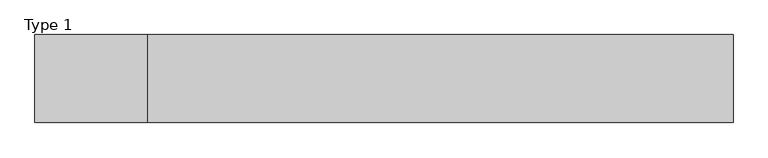
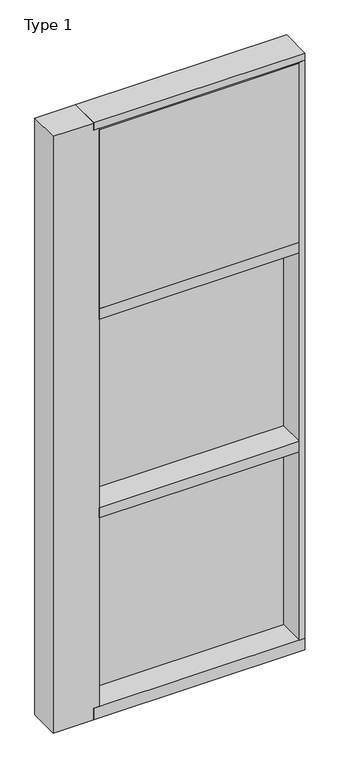
"""IFC4 building model written with IfcOpenShell, lengths in millimetres: plate geometry, Type 1."""

from ifc_helpers import new_model, si_unit, frame, origin, place, context, project, spatial, polyline, outline, extrude, faceted_brep, source, transform, mapped, element, save


def type_1_977e2a30(model_context):
    return source(origin(), model_context, "Body", "SolidModel", [
        extrude(outline(polyline([(612.3219712, 27.6881517), (612.3219712, 11.2982336), (599.6230604, 11.2982336), (599.6230604, 27.6881517), (612.3219712, 27.6881517)])), frame((0.0, 0.0, 1225.55), z_axis=(0.0, 0.0, 1.0), x_axis=(1.0, 0.0, 0.0)), (0.0, 0.0, 1.0), 1206.5),
        extrude(outline(polyline([(-599.6230604, 27.6881517), (-599.6230604, 11.2982336), (-612.3219712, 11.2982336), (-612.3219712, 27.6881517), (-599.6230604, 27.6881517)])), frame((0.0, 0.0, 1225.55), z_axis=(0.0, 0.0, 1.0), x_axis=(1.0, 0.0, 0.0)), (0.0, 0.0, 1.0), 1206.5),
        extrude(outline(polyline([(599.6230604, 27.686), (599.6230604, 2.286), (-599.6230604, 2.286), (-599.6230604, 27.686), (599.6230604, 27.686)])), frame((0.0, 0.0, 1225.55), z_axis=(0.0, 0.0, 1.0), x_axis=(1.0, 0.0, 0.0)), (0.0, 0.0, 1.0), 1206.5),
        extrude(outline(polyline([(612.3219712, 27.686), (612.3219712, 6.35), (-612.3219712, 6.35), (-612.3219712, 27.686), (612.3219712, 27.686)])), frame((0.0, 0.0, 2432.05), z_axis=(0.0, 0.0, 1.0), x_axis=(1.0, 0.0, 0.0)), (0.0, 0.0, 1.0), 12.7),
        faceted_brep([(-846.7854024, -155.9814, 3619.5), (-612.3219712, -155.9814, 3619.5), (-612.3219712, 27.686, 3619.5), (-846.7854024, 27.686, 3619.5), (-846.7854024, -155.9814, -38.1), (-846.7854024, 27.686, -38.1), (-612.3219712, 27.686, -38.1), (-612.3219712, -155.9814, -38.1), (-612.3219712, -155.9814, 31.75), (-580.5719712, -155.9814, 31.75), (-580.5719712, -155.9814, 3575.05), (-612.3219712, -155.9814, 3575.05), (-612.3219712, 2.286, 3575.05), (-612.3219712, 2.286, 31.75), (-580.5719712, 2.286, 3575.05), (-580.5719712, 2.286, 31.75)], [[[0, 1, 2, 3]], [[4, 5, 6, 7]], [[0, 4, 7, 8, 9, 10, 11, 1]], [[1, 11, 12, 13, 8, 7, 6, 2]], [[3, 5, 4, 0]], [[2, 6, 5, 3]], [[12, 11, 10, 14]], [[8, 13, 15, 9]], [[10, 9, 15, 14]], [[14, 15, 13, 12]]]),
        extrude(outline(polyline([(612.3219712, -155.9814), (580.5719712, -155.9814), (580.5719712, 2.286), (612.3219712, 2.286), (612.3219712, -155.9814)])), frame((0.0, 0.0, 31.75), z_axis=(0.0, 0.0, 1.0), x_axis=(1.0, 0.0, 0.0)), (0.0, 0.0, 1.0), 3543.3),
        extrude(outline(polyline([(580.5730604, -48.6409999), (580.5730604, -156.32684), (-580.5719712, -156.32684), (-580.5719712, -48.6409999), (580.5730604, -48.6409999)])), frame((0.0, 0.0, 2470.15), z_axis=(0.0, 0.0, 1.0), x_axis=(1.0, 0.0, 0.0)), (0.0, 0.0, 1.0), 1098.6493556),
        extrude(outline(polyline([(612.3219712, 27.6881517), (612.3219712, 11.2982336), (599.6230604, 11.2982336), (599.6230604, 27.6881517), (612.3219712, 27.6881517)])), frame((0.0, 0.0, 2444.75), z_axis=(0.0, 0.0, 1.0), x_axis=(1.0, 0.0, 0.0)), (0.0, 0.0, 1.0), 1149.35),
        extrude(outline(polyline([(-599.6230604, 27.6881517), (-599.6230604, 11.2982336), (-612.3219712, 11.2982336), (-612.3219712, 27.6881517), (-599.6230604, 27.6881517)])), frame((0.0, 0.0, 2444.75), z_axis=(0.0, 0.0, 1.0), x_axis=(1.0, 0.0, 0.0)), (0.0, 0.0, 1.0), 1149.35),
        extrude(outline(polyline([(599.6230604, 27.686), (599.6230604, 2.286), (-599.6230604, 2.286), (-599.6230604, 27.686), (599.6230604, 27.686)])), frame((0.0, 0.0, 2444.75), z_axis=(0.0, 0.0, 1.0), x_axis=(1.0, 0.0, 0.0)), (0.0, 0.0, 1.0), 1149.35),
        extrude(outline(polyline([(612.3219712, 27.6881517), (612.3219712, 11.2982336), (599.6230604, 11.2982336), (599.6230604, 27.6881517), (612.3219712, 27.6881517)])), frame((0.0, 0.0, 6.35), z_axis=(0.0, 0.0, 1.0), x_axis=(1.0, 0.0, 0.0)), (0.0, 0.0, 1.0), 1206.5),
        extrude(outline(polyline([(-599.6230604, 27.6881517), (-599.6230604, 11.2982336), (-612.3219712, 11.2982336), (-612.3219712, 27.6881517), (-599.6230604, 27.6881517)])), frame((0.0, 0.0, 6.35), z_axis=(0.0, 0.0, 1.0), x_axis=(1.0, 0.0, 0.0)), (0.0, 0.0, 1.0), 1206.5),
        extrude(outline(polyline([(599.6230604, 27.686), (599.6230604, 2.286), (-599.6230604, 2.286), (-599.6230604, 27.686), (599.6230604, 27.686)])), frame((0.0, 0.0, 6.35), z_axis=(0.0, 0.0, 1.0), x_axis=(1.0, 0.0, 0.0)), (0.0, 0.0, 1.0), 1206.5),
        extrude(outline(polyline([(612.3219712, 27.686), (612.3219712, 6.35), (-612.3219712, 6.35), (-612.3219712, 27.686), (612.3219712, 27.686)])), frame((0.0, 0.0, 1212.85), z_axis=(0.0, 0.0, 1.0), x_axis=(1.0, 0.0, 0.0)), (0.0, 0.0, 1.0), 12.7),
        extrude(outline(polyline([(-580.5719712, -155.4734), (-580.5719712, 2.2859999), (580.5719712, 2.2859999), (580.5719712, -155.4734), (-580.5719712, -155.4734)])), frame((0.0, 0.0, 1187.45), z_axis=(0.0, 0.0, 1.0), x_axis=(1.0, 0.0, 0.0)), (0.0, 0.0, 1.0), 63.5),
        extrude(outline(polyline([(-612.3219712, 15.9510838), (-612.3219712, 27.6859999), (612.3219712, 27.6859999), (612.3219712, 15.9510838), (-612.3219712, 15.9510838)])), frame((0.0, 0.0, 3594.7366239), z_axis=(0.0, 0.0, 1.0), x_axis=(1.0, 0.0, 0.0)), (0.0, 0.0, 1.0), 6.7161694),
        extrude(outline(polyline([(27.686, 3619.5), (27.686, 3601.4527933), (2.286, 3601.4527933), (2.286, 3575.6866239), (-155.4734, 3575.6866239), (-155.4734, 3619.5), (27.686, 3619.5)])), frame((-612.3219712, 0.0, 0.0), z_axis=(1.0, 0.0, 0.0), x_axis=(0.0, 1.0, 0.0)), (0.0, 0.0, 1.0), 1224.6439423),
        extrude(outline(polyline([(-612.3219712, 5.0946564), (-612.3219712, 27.6881517), (612.3219712, 27.6881517), (612.3219712, 5.0946564), (-612.3219712, 5.0946564)])), frame((0.0, 0.0, -6.2984797), z_axis=(0.0, 0.0, 1.0), x_axis=(1.0, 0.0, 0.0)), (0.0, 0.0, 1.0), 12.6484797),
        extrude(outline(polyline([(-580.5719712, -155.4734), (-580.5719712, 2.2859999), (580.5719712, 2.2859999), (580.5719712, -155.4734), (-580.5719712, -155.4734)])), frame((0.0, 0.0, 2406.65), z_axis=(0.0, 0.0, 1.0), x_axis=(1.0, 0.0, 0.0)), (0.0, 0.0, 1.0), 63.5),
        extrude(outline(polyline([(2.2859999, 31.75), (2.2859999, -6.2983857), (27.6858239, -6.2983857), (27.6858239, -38.1), (-155.6004, -38.1), (-155.6004, 31.75), (2.2859999, 31.75)])), frame((-612.3219712, 0.0, 0.0), z_axis=(1.0, 0.0, 0.0), x_axis=(0.0, 1.0, 0.0)), (0.0, 0.0, 1.0), 1224.6439423),
    ])


if __name__ == "__main__":
    model = new_model("IFC4")
    model_context = context("Model", 3, world=origin())
    ifc_project = project(units=[si_unit("LENGTHUNIT", "METRE", prefix="MILLI")], contexts=[model_context])
    site = spatial("IfcSite", under=ifc_project)
    building = spatial("IfcBuilding", under=site)
    placement = place(None, origin())
    type_1_shape = type_1_977e2a30(model_context)
    element("IfcPlate", 1, ObjectType="Type 1", at=placement, inside=building, context=model_context, shape_type="MappedRepresentation", body=[
        mapped(type_1_shape, transform((0.0, 0.0, 0.0), x_axis=(1.0, 0.0, 0.0), y_axis=(0.0, 1.0, 0.0), z_axis=(0.0, 0.0, 1.0))),
    ])
    save(model, "model.ifc")
